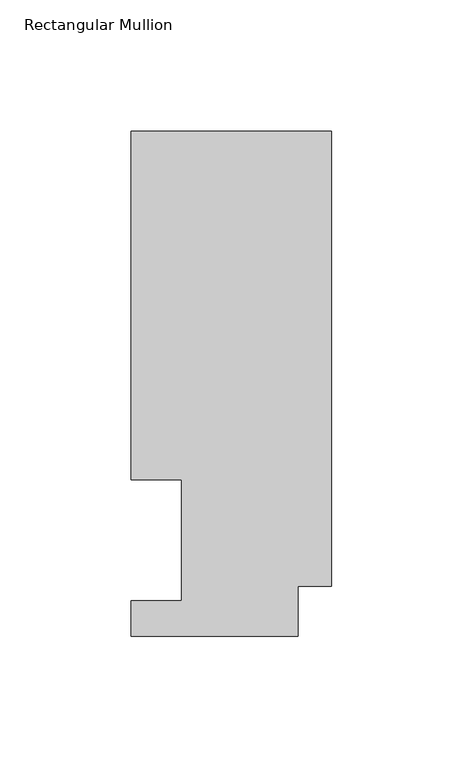
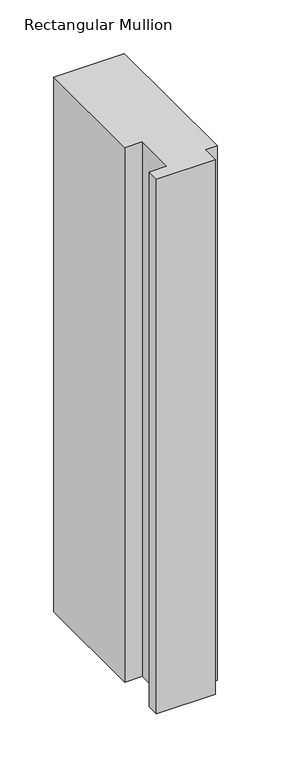
"""IFC4 building model written with IfcOpenShell, lengths in millimetres: member geometry, Rectangular Mullion."""

from ifc_helpers import new_model, si_unit, frame, origin, place, context, project, spatial, polyline, outline, extrude, source, transform, mapped, element, save


def rectangular_mullion_992432e5(model_context):
    return source(origin(), model_context, "Body", "SweptSolid", [
        extrude(outline(polyline([(0.0, 192.09385), (0.0, 19.06905), (-12.7, 19.06905), (-12.7, 0.04445), (-76.2, 0.04445), (-76.2, 13.50645), (-57.15, 13.50645), (-57.15, 59.53125), (-76.2, 59.53125), (-76.2, 192.09385), (0.0, 192.09385)])), frame((0.0, 0.0, -609.6), z_axis=(0.0, 0.0, 1.0), x_axis=(1.0, 0.0, 0.0)), (0.0, 0.0, 1.0), 609.6),
    ])


if __name__ == "__main__":
    model = new_model("IFC4")
    model_context = context("Model", 3, world=origin())
    ifc_project = project(units=[si_unit("LENGTHUNIT", "METRE", prefix="MILLI")], contexts=[model_context])
    site = spatial("IfcSite", under=ifc_project)
    building = spatial("IfcBuilding", under=site)
    placement = place(None, origin())
    rectangular_mullion_shape = rectangular_mullion_992432e5(model_context)
    element("IfcMember", 1, ObjectType="Rectangular Mullion", at=placement, inside=building, context=model_context, shape_type="MappedRepresentation", body=[
        mapped(rectangular_mullion_shape, transform((0.0, 0.0, 0.0), x_axis=(1.0, 0.0, 0.0), y_axis=(0.0, 1.0, 0.0), z_axis=(0.0, 0.0, 1.0))),
    ])
    save(model, "model.ifc")
